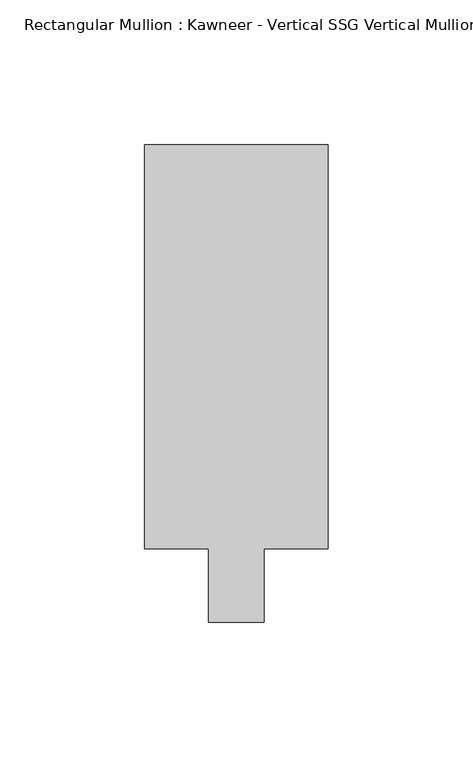
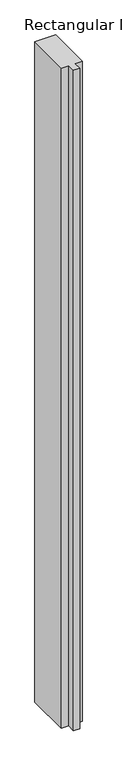
"""IFC4 building model written with IfcOpenShell, lengths in millimetres: member geometry."""

from ifc_helpers import new_model, si_unit, frame, origin, place, context, project, spatial, polyline, outline, extrude, source, transform, mapped, element, save


def member_5aba4155(model_context):
    return source(origin(), model_context, "Body", "SweptSolid", [
        extrude(outline(polyline([(-31.75, 12.7), (-31.75, 152.399995), (31.75, 152.399995), (31.75, 12.7), (9.5251132, 12.7), (9.5251132, -12.7), (-9.5251132, -12.7), (-9.5251132, 12.7), (-31.75, 12.7)])), frame((0.0, 0.0, -2127.1426863), z_axis=(0.0, 0.0, 1.0), x_axis=(1.0, 0.0, 0.0)), (0.0, 0.0, 1.0), 2127.1426863),
    ])


if __name__ == "__main__":
    model = new_model("IFC4")
    model_context = context("Model", 3, world=origin())
    ifc_project = project(units=[si_unit("LENGTHUNIT", "METRE", prefix="MILLI")], contexts=[model_context])
    site = spatial("IfcSite", under=ifc_project)
    building = spatial("IfcBuilding", under=site)
    placement = place(None, origin())
    member_shape = member_5aba4155(model_context)
    element("IfcMember", 1, ObjectType="Rectangular Mullion : Kawneer - Vertical SSG Vertical Mullion - 7 1/2\"", at=placement, inside=building, context=model_context, shape_type="MappedRepresentation", body=[
        mapped(member_shape, transform((0.0, 0.0, 0.0), x_axis=(1.0, 0.0, 0.0), y_axis=(0.0, 1.0, 0.0), z_axis=(0.0, 0.0, 1.0))),
    ])
    save(model, "model.ifc")
